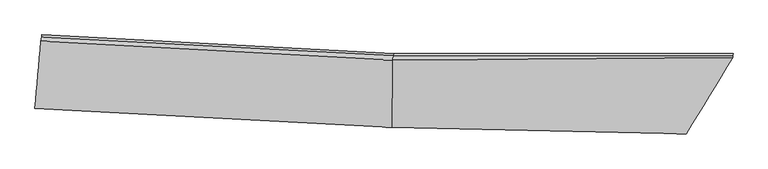
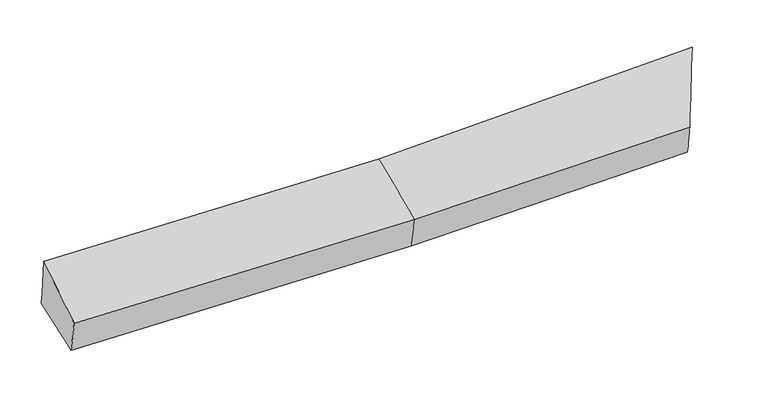
"""IFC4 building model written with IfcOpenShell, lengths in millimetres: proxy geometry."""

from ifc_helpers import new_model, si_unit, frame, origin, place, context, project, spatial, source, transform, mapped, element, save
from ifc_brep_helpers import plane_surface, spline_surface, advanced_brep


def generic_models_ae4bf630(model_context):
    return source(origin(), model_context, "Body", "AdvancedBrep", [
        advanced_brep(
        [(-3508.4552008, -1902.2266433, 2037.029108), (-3497.6977809, -1826.9848187, 1676.1327416), (113.5896929, -2019.7826158, 1735.1639249), (104.001893, -2095.0906398, 2096.0794512), (-3436.7111736, -1153.8413785, 1787.4141088), (125.3267758, -1343.8516986, 1845.6385194), (-3440.248296, -1176.3564105, 1925.5465167), (121.7896534, -1366.3667306, 1983.7709272), (-3448.4661785, -1220.4440405, 2318.4075006), (112.1506612, -1410.3739271, 2376.6086314), (3558.0832494, -1386.19313, 2453.5863437), (3557.1638417, -1366.7245237, 2059.0196099), (3084.7217542, -2159.737828, 2160.4211205), (3122.9318634, -2052.1004165, 1791.752928), (3560.7643072, -1343.8062906, 1918.413515)],
        [
            (0, 1),
            (1, 2),
            (2, 3),
            (3, 0),
            (1, 4),
            (4, 5),
            (5, 1),
            (4, 6),
            (6, 7),
            (7, 5),
            (6, 8),
            (8, 9),
            (9, 7),
            (8, 0),
            (3, 9),
            (5, 2),
            (9, 10),
            (10, 11),
            (11, 7),
            (3, 12),
            (12, 10),
            (2, 13),
            (13, 12),
            (5, 14),
            (14, 13),
            (11, 14),
            (11, 12),
        ],
        [
            spline_surface(1, 1, [[(-3508.4552008, -1902.2266433, 2037.029108), (104.001893, -2095.0906398, 2096.0794512)], [(-3497.6977809, -1826.9848187, 1676.1327416), (113.5896929, -2019.7826158, 1735.1639249)]], [2, 2], [2, 2], [0.0, 1.0], [0.0, 1.0]),
            plane_surface(frame((-3467.2044773, -1490.4130986, 1731.7734252), z_axis=(0.02470932558514803, 0.1608729601784102, -0.9866657690994265), x_axis=(0.08903154343691268, 0.982691153533029, 0.16245455069392764))),
            plane_surface(frame((-3438.4797348, -1165.0988945, 1856.4803128), z_axis=(0.04992516087846621, 0.9855405461922768, 0.16191760287963783), x_axis=(-0.025265159946539835, -0.16082165728552772, 0.9866600560683564))),
            spline_surface(1, 1, [[(-3440.248296, -1176.3564105, 1925.5465167), (121.7896534, -1366.3667306, 1983.7709272)], [(-3448.4661785, -1220.4440405, 2318.4075006), (112.1506612, -1410.3739271, 2376.6086314)]], [2, 2], [2, 2], [0.0, 1.0], [0.0, 1.0]),
            spline_surface(1, 1, [[(-3448.4661785, -1220.4440405, 2318.4075006), (112.1506612, -1410.3739271, 2376.6086314)], [(-3508.4552008, -1902.2266433, 2037.029108), (104.001893, -2095.0906398, 2096.0794512)]], [2, 2], [2, 2], [0.0, 1.0], [0.0, 1.0]),
            plane_surface(frame((-3466.315726, -1455.9706583, 1948.9059952), z_axis=(-0.9957083187189488, 0.091948307846647, -0.0105096488058652), x_axis=(0.08106624637841259, 0.9213278415641518, 0.3802410709758426))),
            plane_surface(frame((-3497.6977809, -1826.9848187, 1676.1327416), z_axis=(0.024714926815164854, 0.16083318240842218, -0.9866721136369978), x_axis=(0.01713442760623499, 0.9867604630979172, 0.16127678027971318))),
            spline_surface(1, 1, [[(121.7896534, -1366.3667306, 1983.7709272), (3557.1638417, -1366.7245237, 2059.0196099)], [(112.1506612, -1410.3739271, 2376.6086314), (3558.0832494, -1386.19313, 2453.5863437)]], [2, 2], [2, 2], [0.0, 1.0], [0.0, 1.0]),
            spline_surface(1, 1, [[(112.1506612, -1410.3739271, 2376.6086314), (3558.0832494, -1386.19313, 2453.5863437)], [(104.001893, -2095.0906398, 2096.0794512), (3084.7217542, -2159.737828, 2160.4211205)]], [2, 2], [2, 2], [0.0, 1.0], [0.0, 1.0]),
            spline_surface(1, 1, [[(104.001893, -2095.0906398, 2096.0794512), (3084.7217542, -2159.737828, 2160.4211205)], [(113.5896929, -2019.7826158, 1735.1639249), (3122.9318634, -2052.1004165, 1791.752928)]], [2, 2], [2, 2], [0.0, 1.0], [0.0, 1.0]),
            spline_surface(1, 1, [[(113.5896929, -2019.7826158, 1735.1639249), (3122.9318634, -2052.1004165, 1791.752928)], [(125.3267758, -1343.8516986, 1845.6385194), (3560.7643072, -1343.8062906, 1918.413515)]], [2, 2], [2, 2], [0.0, 1.0], [0.0, 1.0]),
            plane_surface(frame((123.5582146, -1355.1092146, 1914.7047233), z_axis=(-0.0034190912568280558, 0.9869832420415091, 0.16078678348735478), x_axis=(-0.025265159946537875, -0.1608216572855288, 0.9866600560683563))),
            plane_surface(frame((3331.3954416, -1730.5922647, 1982.4017934), z_axis=(0.8538999245021409, -0.5166885672550922, -0.062352573348004155), x_axis=(-0.5087516322834595, -0.8539603553973109, 0.10919472541571851))),
            plane_surface(frame((3399.9896151, -1637.5518272, 2224.342358), z_axis=(0.8572329474241731, -0.5142009414388607, -0.02736906417571299), x_axis=(0.002327332725860769, -0.04928164472037596, 0.998782210001779))),
        ],
        [
            (0, [[1, 2, 3, 4]]),
            (1, [[5, 6, 7]]),
            (2, [[8, 9, 10, -6]]),
            (3, [[11, 12, 13, -9]]),
            (4, [[14, -4, 15, -12]]),
            (5, [[-14, -11, -8, -5, -1]]),
            (6, [[16, -2, -7]]),
            (7, [[-13, 17, 18, 19]]),
            (8, [[-15, 20, 21, -17]]),
            (9, [[-3, 22, 23, -20]]),
            (10, [[-16, 24, 25, -22]]),
            (11, [[-10, -19, 26, -24]]),
            (12, [[27, -23, -25, -26]]),
            (13, [[-18, -21, -27]]),
        ],
    ),
    ])


if __name__ == "__main__":
    model = new_model("IFC4")
    model_context = context("Model", 3, world=origin())
    ifc_project = project(units=[si_unit("LENGTHUNIT", "METRE", prefix="MILLI")], contexts=[model_context])
    site = spatial("IfcSite", under=ifc_project)
    building = spatial("IfcBuilding", under=site)
    placement = place(None, origin())
    generic_models_shape = generic_models_ae4bf630(model_context)
    element("IfcBuildingElementProxy", 1, Name="Generic Models", at=placement, inside=building, context=model_context, shape_type="MappedRepresentation", body=[
        mapped(generic_models_shape, transform((0.0, 0.0, 0.0), x_axis=(1.0, 0.0, 0.0), y_axis=(0.0, 1.0, 0.0), z_axis=(0.0, 0.0, 1.0))),
    ])
    save(model, "model.ifc")
